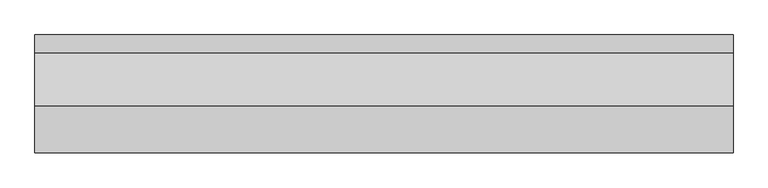
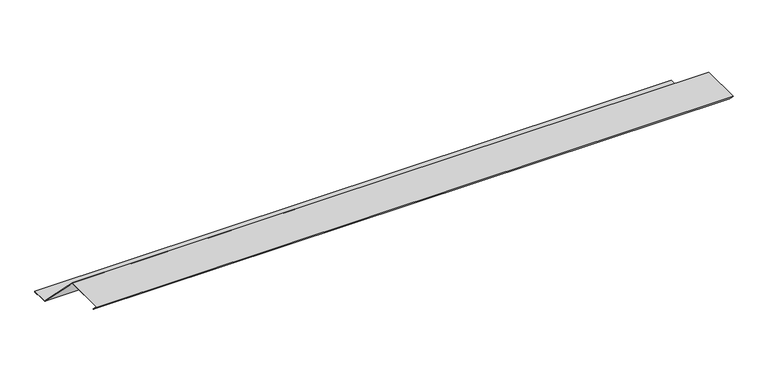
"""IFC4 building model written with IfcOpenShell, lengths in millimetres: proxy geometry."""

import ifcopenshell
import ifcopenshell.guid

model = None  # the IFC model being written
_history = None  # IfcOwnerHistory: only IFC2X3 demands one
_inside = {}  # id of a spatial element -> (the spatial element, [elements in it])
_under = {}  # id of a project, library or spatial element -> (it, [spatial elements below it])
_declared = {}  # id of a project -> (the project, [libraries it declares])
_typed = {}  # id of a type object -> (the type object, [elements of that type])
_made_of = {}  # id of a material, layer set ... -> (it, [elements and type objects made of it])


def new_model(schema):
    """Start an empty IFC model of exactly this schema.

    Asked for "IFC4X3", IfcOpenShell would pick the latest addendum, in which some entities
    have other attributes; the version numbers below select the first issue.
    IFC2X3 requires an IfcOwnerHistory on every rooted entity: one is made here for all.
    """
    global model, _history
    if schema == "IFC4X3":
        model = ifcopenshell.file(schema_version=(4, 3, 0, 0))
    else:
        model = ifcopenshell.file(schema=schema)
    _inside.clear()
    _under.clear()
    _declared.clear()
    _typed.clear()
    _made_of.clear()
    _history = None
    if model.schema == "IFC2X3":
        org = make("IfcOrganization", Name="unknown")
        user = make(
            "IfcPersonAndOrganization",
            ThePerson=make("IfcPerson", FamilyName="unknown"),
            TheOrganization=org,
        )
        app = make(
            "IfcApplication",
            ApplicationDeveloper=org,
            Version="unknown",
            ApplicationFullName="unknown",
            ApplicationIdentifier="unknown",
        )
        _history = make(
            "IfcOwnerHistory",
            OwningUser=user,
            OwningApplication=app,
            ChangeAction="ADDED",
            CreationDate=0,
        )
    return model


def make(cls, **values):
    """One entity of the class cls with the attributes given. An attribute that is None is left unset."""
    return model.create_entity(
        cls, **{name: value for name, value in values.items() if value is not None}
    )


def rooted(cls, **values):
    """An entity with a GlobalId (a new one), such as an element, a storey or a relation."""
    return make(cls, GlobalId=ifcopenshell.guid.new(), OwnerHistory=_history, **values)


def si_unit(unit_type, name, prefix=None):
    """IfcSIUnit, for example si_unit("LENGTHUNIT", "METRE", prefix="MILLI")."""
    return make("IfcSIUnit", UnitType=unit_type, Prefix=prefix, Name=name)


def assignment(units):
    """IfcUnitAssignment: the units of a project."""
    return None if units is None else make("IfcUnitAssignment", Units=units)


def point(xyz):
    """IfcCartesianPoint."""
    return None if xyz is None else make("IfcCartesianPoint", Coordinates=xyz)


def direction(xyz):
    """IfcDirection."""
    return None if xyz is None else make("IfcDirection", DirectionRatios=xyz)


def frame(location, z_axis=None, x_axis=None):
    """IfcAxis2Placement3D, a coordinate frame: its origin and axes. An axis left out is left unset."""
    return make(
        "IfcAxis2Placement3D",
        Location=point(location),
        Axis=direction(z_axis),
        RefDirection=direction(x_axis),
    )


def origin():
    """The frame at (0, 0, 0) with its axes left unset."""
    return frame((0.0, 0.0, 0.0))


def place(relative_to, where):
    """IfcLocalPlacement: puts the frame where relative to a parent placement (None: the world)."""
    return make(
        "IfcLocalPlacement", PlacementRelTo=relative_to, RelativePlacement=where
    )


def context(
    kind, dimensions, precision=None, world=None, true_north=None, identifier=None
):
    """IfcGeometricRepresentationContext, for example the 3D "Model" context."""
    return make(
        "IfcGeometricRepresentationContext",
        ContextIdentifier=identifier,
        ContextType=kind,
        CoordinateSpaceDimension=dimensions,
        Precision=precision,
        WorldCoordinateSystem=world,
        TrueNorth=true_north,
    )


def project(units=None, contexts=None):
    """IfcProject with its units and contexts."""
    return rooted(
        "IfcProject",
        Name="project",
        RepresentationContexts=contexts,
        UnitsInContext=assignment(units),
    )


def spatial(cls, under=None, at=None, **own):
    """A site, building, storey or space (cls), placed at a placement, below another one or the project."""
    s = rooted(cls, ObjectPlacement=at, **own)
    if under is not None:
        _under.setdefault(under.id(), (under, []))[1].append(s)
    return s


def faces_of(points, faces, orient=None, outer=None):
    """IfcFace entities. A face is a list of loops; a loop is a list of indices into points, from 0.

    orient and outer hold one flag for each loop. By default every Orientation is true, the
    first loop of a face is its IfcFaceOuterBound and the others are IfcFaceBound.
    """
    made = []
    for i, loops in enumerate(faces):
        bounds = []
        for j, loop in enumerate(loops):
            is_outer = j == 0 if outer is None else outer[i][j]
            bounds.append(
                make(
                    "IfcFaceOuterBound" if is_outer else "IfcFaceBound",
                    Bound=make("IfcPolyLoop", Polygon=[points[k] for k in loop]),
                    Orientation=True if orient is None else orient[i][j],
                )
            )
        made.append(make("IfcFace", Bounds=bounds))
    return made


def faceted_brep(points, faces, orient=None, outer=None, voids=None):
    """IfcFacetedBrep: a solid bounded by flat faces; with voids (closed shells), ...WithVoids."""
    shared = [point(p) for p in points]
    hull = make("IfcClosedShell", CfsFaces=faces_of(shared, faces, orient, outer))
    if voids is None:
        return make("IfcFacetedBrep", Outer=hull)
    return make(
        "IfcFacetedBrepWithVoids",
        Outer=hull,
        Voids=[
            make(cls, CfsFaces=faces_of(shared, fs, o, b)) for cls, fs, o, b in voids
        ],
    )


def shape(context_of_items, identifier, shape_type, items):
    """IfcShapeRepresentation: the items that make up one representation, for example the "Body"."""
    return make(
        "IfcShapeRepresentation",
        ContextOfItems=context_of_items,
        RepresentationIdentifier=identifier,
        RepresentationType=shape_type,
        Items=items,
    )


def source(mapping_origin, context_of_items, identifier, shape_type, items):
    """IfcRepresentationMap: a shape defined once, which mapped items show again and again."""
    return make(
        "IfcRepresentationMap",
        MappingOrigin=mapping_origin,
        MappedRepresentation=shape(context_of_items, identifier, shape_type, items),
    )


def transform(
    local_origin,
    x_axis=None,
    y_axis=None,
    z_axis=None,
    scale=None,
    scale2=None,
    scale3=None,
    uniform=True,
):
    """IfcCartesianTransformationOperator3D, or its non-uniform kind. x_axis, y_axis, z_axis: its Axis1, 2, 3."""
    if uniform:
        return make(
            "IfcCartesianTransformationOperator3D",
            Axis1=direction(x_axis),
            Axis2=direction(y_axis),
            LocalOrigin=point(local_origin),
            Scale=scale,
            Axis3=direction(z_axis),
        )
    return make(
        "IfcCartesianTransformationOperator3DnonUniform",
        Axis1=direction(x_axis),
        Axis2=direction(y_axis),
        LocalOrigin=point(local_origin),
        Scale=scale,
        Axis3=direction(z_axis),
        Scale2=scale2,
        Scale3=scale3,
    )


def mapped(mapping_source, mapping_target):
    """IfcMappedItem: shows the shape of a source again, moved by a transform."""
    return make(
        "IfcMappedItem", MappingSource=mapping_source, MappingTarget=mapping_target
    )


def made_of(thing, what):
    """Note that an element or type object is made of a material, layer set ...; save() writes the relation."""
    if what is not None:
        _made_of.setdefault(what.id(), (what, []))[1].append(thing)
    return thing


def element(
    cls,
    number,
    at=None,
    inside=None,
    cuts=None,
    type_object=None,
    material=None,
    context=None,
    identifier="Body",
    shape_type=None,
    held_by="IfcProductDefinitionShape",
    body=None,
    shapes=None,
    **own,
):
    """One element of the class cls, such as IfcWall. Its Tag is "e" and its number.

    at: its placement. inside: the storey or other place that contains it. cuts: it is an
    opening in that element (IfcRelVoidsElement). A single representation is given by context,
    identifier, shape_type and body (its items); several are given by shapes. held_by: the class
    of the entity that holds the representations. save() writes the other relations.
    """
    e = rooted(cls, Tag="e%d" % number, ObjectPlacement=at, **own)
    if body is not None:
        shapes = [shape(context, identifier, shape_type, body)]
    if shapes is not None:
        e.Representation = make(held_by, Representations=shapes)
    if inside is not None:
        _inside.setdefault(inside.id(), (inside, []))[1].append(e)
    if cuts is not None:
        rooted(
            "IfcRelVoidsElement", RelatingBuildingElement=cuts, RelatedOpeningElement=e
        )
    if type_object is not None:
        _typed.setdefault(type_object.id(), (type_object, []))[1].append(e)
    return made_of(e, material)


def aggregate(whole, parts):
    """IfcRelAggregates: a whole, such as a stair, and the parts it consists of."""
    return rooted("IfcRelAggregates", RelatingObject=whole, RelatedObjects=parts)


def save(model, path):
    """Write the relations noted so far, then the file.

    IfcRelAggregates (storeys below a building ...), IfcRelContainedInSpatialStructure (elements
    in a storey), IfcRelDefinesByType, IfcRelAssociatesMaterial and IfcRelDeclares: one each for
    every whole, place, type object, material and project.
    """
    for whole, parts in _under.values():
        aggregate(whole, parts)
    for where, things in _inside.values():
        rooted(
            "IfcRelContainedInSpatialStructure",
            RelatedElements=things,
            RelatingStructure=where,
        )
    for kind, things in _typed.values():
        rooted("IfcRelDefinesByType", RelatedObjects=things, RelatingType=kind)
    for what, things in _made_of.values():
        rooted("IfcRelAssociatesMaterial", RelatedObjects=things, RelatingMaterial=what)
    for by, libraries in _declared.values():
        rooted("IfcRelDeclares", RelatingContext=by, RelatedDefinitions=libraries)
    model.write(path)


def generic_models_e461b678(model_context):
    return source(origin(), model_context, "Body", "Brep", [
        faceted_brep([(0.0, 35.0, 18.1421356), (0.0, -65.0, 18.1421356), (1500.0, -65.0, 18.1421356), (1500.0, 35.0, 18.1421356), (0.0, 53.1421356, 0.0), (1500.0, 53.1421356, 0.0), (1500.0, 148.1730145, -95.0308789), (0.0, 148.1730145, -95.0308789), (0.0, 187.9619408, -95.0308789), (1500.0, 187.9619408, -95.0308789), (0.0, 187.9619408, -98.0308789), (1500.0, 187.9619408, -98.0308789), (0.0, 177.9619408, -98.0308789), (1500.0, 177.9619408, -98.0308789), (0.0, 177.9619408, -97.0308789), (1500.0, 177.9619408, -97.0308789), (0.0, 186.9619408, -97.0308789), (1500.0, 186.9619408, -97.0308789), (0.0, 186.9619408, -96.0308789), (1500.0, 186.9619408, -96.0308789), (0.0, 147.758801, -96.0308789), (1500.0, 147.758801, -96.0308789), (0.0, 34.5857864, 17.1421356), (0.0, 51.7279221, 0.0), (1500.0, 51.7279221, 0.0), (1500.0, 34.5857864, 17.1421356), (0.0, -62.5857864, 17.1421356), (1500.0, -62.5857864, 17.1421356), (0.0, -50.1507576, 4.7071068), (1500.0, -50.1507576, 4.7071068), (0.0, -50.8578644, 4.0), (1500.0, -50.8578644, 4.0)], [[[0, 1, 2, 3]], [[4, 0, 3, 5, 6, 7]], [[8, 7, 6, 9]], [[10, 8, 9, 11]], [[12, 10, 11, 13]], [[14, 12, 13, 15]], [[16, 14, 15, 17]], [[18, 16, 17, 19]], [[20, 18, 19, 21]], [[22, 23, 20, 21, 24, 25]], [[26, 22, 25, 27]], [[28, 26, 27, 29]], [[30, 28, 29, 31]], [[1, 30, 31, 2]], [[4, 23, 22, 26, 28, 30, 1, 0]], [[24, 5, 3, 2, 31, 29, 27, 25]], [[23, 4, 7, 8, 10, 12, 14, 16, 18, 20]], [[5, 24, 21, 19, 17, 15, 13, 11, 9, 6]]]),
    ])


if __name__ == "__main__":
    model = new_model("IFC4")
    model_context = context("Model", 3, world=origin())
    ifc_project = project(units=[si_unit("LENGTHUNIT", "METRE", prefix="MILLI")], contexts=[model_context])
    site = spatial("IfcSite", under=ifc_project)
    building = spatial("IfcBuilding", under=site)
    placement = place(None, origin())
    generic_models_shape = generic_models_e461b678(model_context)
    element("IfcBuildingElementProxy", 1, Name="Generic Models", at=placement, inside=building, context=model_context, shape_type="MappedRepresentation", body=[
        mapped(generic_models_shape, transform((0.0, 0.0, 0.0), x_axis=(1.0, 0.0, 0.0), y_axis=(0.0, 1.0, 0.0), z_axis=(0.0, 0.0, 1.0))),
    ])
    save(model, "model.ifc")
